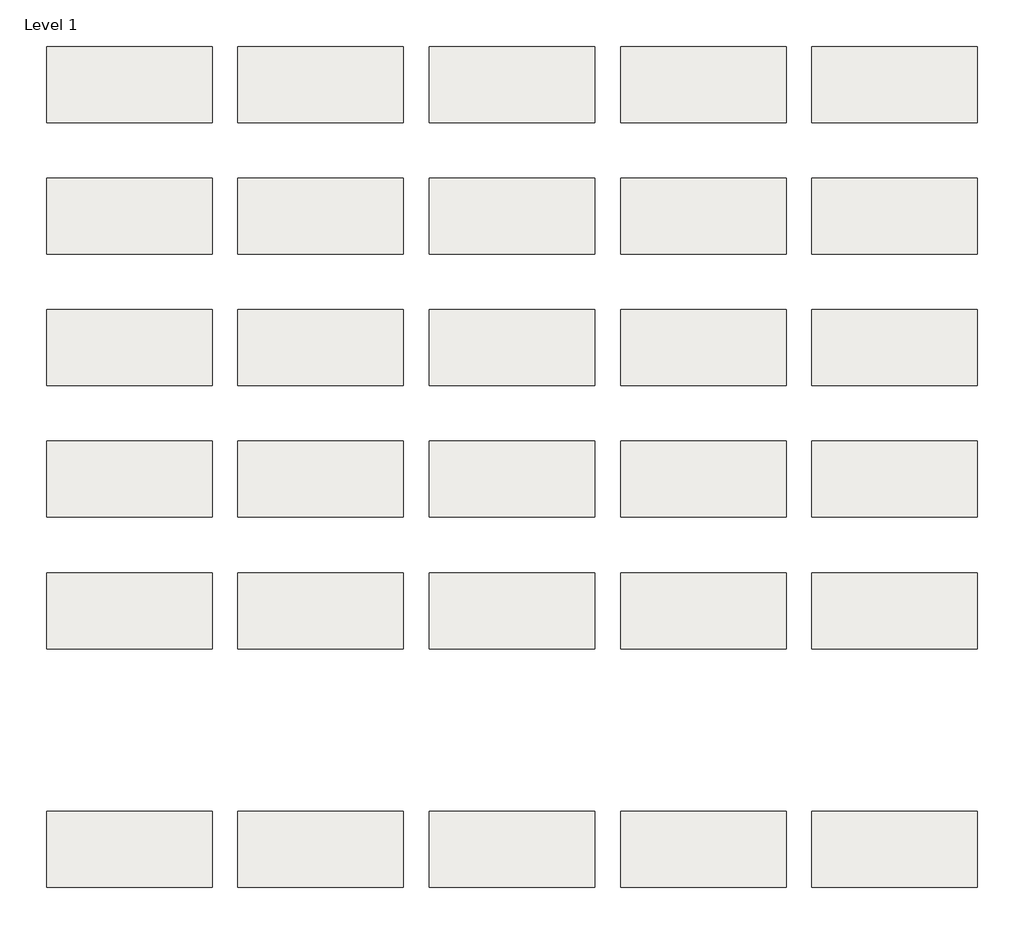
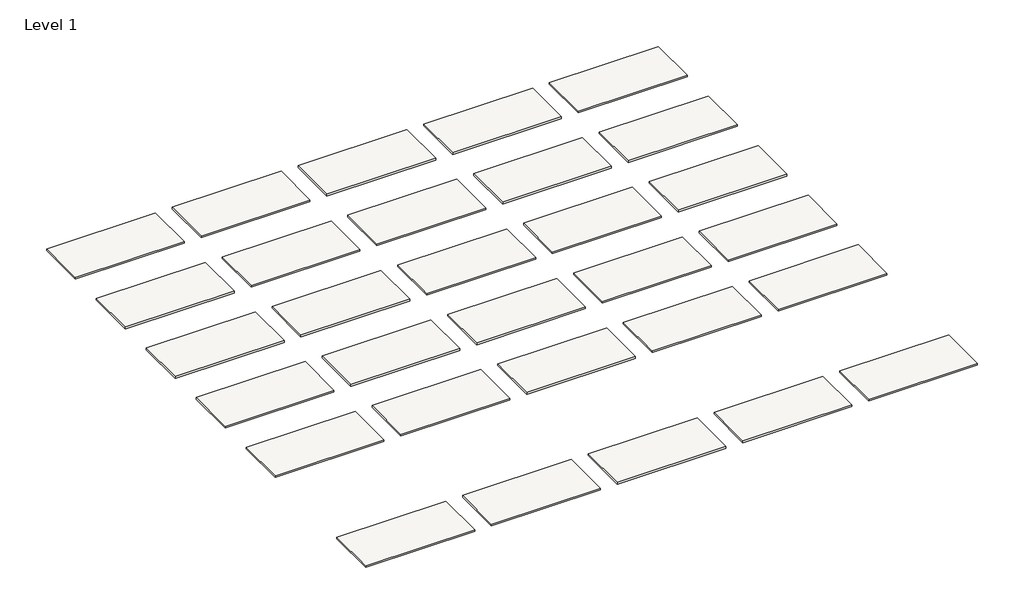
# One storey: 30 roofs.
"""IFC4 building model written with IfcOpenShell, lengths in millimetres."""

import ifcopenshell
import ifcopenshell.guid

model = None  # the IFC model being written
_history = None  # IfcOwnerHistory: only IFC2X3 demands one
_inside = {}  # id of a spatial element -> (the spatial element, [elements in it])
_under = {}  # id of a project, library or spatial element -> (it, [spatial elements below it])
_declared = {}  # id of a project -> (the project, [libraries it declares])
_typed = {}  # id of a type object -> (the type object, [elements of that type])
_made_of = {}  # id of a material, layer set ... -> (it, [elements and type objects made of it])


def new_model(schema):
    """Start an empty IFC model of exactly this schema.

    Asked for "IFC4X3", IfcOpenShell would pick the latest addendum, in which some entities
    have other attributes; the version numbers below select the first issue.
    IFC2X3 requires an IfcOwnerHistory on every rooted entity: one is made here for all.
    """
    global model, _history
    if schema == "IFC4X3":
        model = ifcopenshell.file(schema_version=(4, 3, 0, 0))
    else:
        model = ifcopenshell.file(schema=schema)
    _inside.clear()
    _under.clear()
    _declared.clear()
    _typed.clear()
    _made_of.clear()
    _history = None
    if model.schema == "IFC2X3":
        org = make("IfcOrganization", Name="unknown")
        user = make(
            "IfcPersonAndOrganization",
            ThePerson=make("IfcPerson", FamilyName="unknown"),
            TheOrganization=org,
        )
        app = make(
            "IfcApplication",
            ApplicationDeveloper=org,
            Version="unknown",
            ApplicationFullName="unknown",
            ApplicationIdentifier="unknown",
        )
        _history = make(
            "IfcOwnerHistory",
            OwningUser=user,
            OwningApplication=app,
            ChangeAction="ADDED",
            CreationDate=0,
        )
    return model


def make(cls, **values):
    """One entity of the class cls with the attributes given. An attribute that is None is left unset."""
    return model.create_entity(
        cls, **{name: value for name, value in values.items() if value is not None}
    )


def rooted(cls, **values):
    """An entity with a GlobalId (a new one), such as an element, a storey or a relation."""
    return make(cls, GlobalId=ifcopenshell.guid.new(), OwnerHistory=_history, **values)


def si_unit(unit_type, name, prefix=None):
    """IfcSIUnit, for example si_unit("LENGTHUNIT", "METRE", prefix="MILLI")."""
    return make("IfcSIUnit", UnitType=unit_type, Prefix=prefix, Name=name)


def assignment(units):
    """IfcUnitAssignment: the units of a project."""
    return None if units is None else make("IfcUnitAssignment", Units=units)


def point(xyz):
    """IfcCartesianPoint."""
    return None if xyz is None else make("IfcCartesianPoint", Coordinates=xyz)


def direction(xyz):
    """IfcDirection."""
    return None if xyz is None else make("IfcDirection", DirectionRatios=xyz)


def frame(location, z_axis=None, x_axis=None):
    """IfcAxis2Placement3D, a coordinate frame: its origin and axes. An axis left out is left unset."""
    return make(
        "IfcAxis2Placement3D",
        Location=point(location),
        Axis=direction(z_axis),
        RefDirection=direction(x_axis),
    )


def origin():
    """The frame at (0, 0, 0) with its axes left unset."""
    return frame((0.0, 0.0, 0.0))


def origin_with_axes():
    """The frame at (0, 0, 0) with the z axis (0, 0, 1) and the x axis (1, 0, 0) written out."""
    return frame((0.0, 0.0, 0.0), z_axis=(0.0, 0.0, 1.0), x_axis=(1.0, 0.0, 0.0))


def place(relative_to, where):
    """IfcLocalPlacement: puts the frame where relative to a parent placement (None: the world)."""
    return make(
        "IfcLocalPlacement", PlacementRelTo=relative_to, RelativePlacement=where
    )


def context(
    kind, dimensions, precision=None, world=None, true_north=None, identifier=None
):
    """IfcGeometricRepresentationContext, for example the 3D "Model" context."""
    return make(
        "IfcGeometricRepresentationContext",
        ContextIdentifier=identifier,
        ContextType=kind,
        CoordinateSpaceDimension=dimensions,
        Precision=precision,
        WorldCoordinateSystem=world,
        TrueNorth=true_north,
    )


def project(units=None, contexts=None):
    """IfcProject with its units and contexts."""
    return rooted(
        "IfcProject",
        Name="project",
        RepresentationContexts=contexts,
        UnitsInContext=assignment(units),
    )


def spatial(cls, under=None, at=None, **own):
    """A site, building, storey or space (cls), placed at a placement, below another one or the project."""
    s = rooted(cls, ObjectPlacement=at, **own)
    if under is not None:
        _under.setdefault(under.id(), (under, []))[1].append(s)
    return s


def polyline(points):
    """IfcPolyline through the points."""
    return make("IfcPolyline", Points=[point(p) for p in points])


def outline(outer, holes=None, kind="AREA"):
    """IfcArbitraryClosedProfileDef: a profile drawn as a closed curve; with holes, ...WithVoids."""
    if holes is None:
        return make("IfcArbitraryClosedProfileDef", ProfileType=kind, OuterCurve=outer)
    return make(
        "IfcArbitraryProfileDefWithVoids",
        ProfileType=kind,
        OuterCurve=outer,
        InnerCurves=holes,
    )


def extrude(swept, where, along, depth):
    """IfcExtrudedAreaSolid: the profile swept, set in the frame where, extruded along a direction by depth."""
    return make(
        "IfcExtrudedAreaSolid",
        SweptArea=swept,
        Position=where,
        ExtrudedDirection=direction(along),
        Depth=depth,
    )


def shape(context_of_items, identifier, shape_type, items):
    """IfcShapeRepresentation: the items that make up one representation, for example the "Body"."""
    return make(
        "IfcShapeRepresentation",
        ContextOfItems=context_of_items,
        RepresentationIdentifier=identifier,
        RepresentationType=shape_type,
        Items=items,
    )


def made_of(thing, what):
    """Note that an element or type object is made of a material, layer set ...; save() writes the relation."""
    if what is not None:
        _made_of.setdefault(what.id(), (what, []))[1].append(thing)
    return thing


def element(
    cls,
    number,
    at=None,
    inside=None,
    cuts=None,
    type_object=None,
    material=None,
    context=None,
    identifier="Body",
    shape_type=None,
    held_by="IfcProductDefinitionShape",
    body=None,
    shapes=None,
    **own,
):
    """One element of the class cls, such as IfcWall. Its Tag is "e" and its number.

    at: its placement. inside: the storey or other place that contains it. cuts: it is an
    opening in that element (IfcRelVoidsElement). A single representation is given by context,
    identifier, shape_type and body (its items); several are given by shapes. held_by: the class
    of the entity that holds the representations. save() writes the other relations.
    """
    e = rooted(cls, Tag="e%d" % number, ObjectPlacement=at, **own)
    if body is not None:
        shapes = [shape(context, identifier, shape_type, body)]
    if shapes is not None:
        e.Representation = make(held_by, Representations=shapes)
    if inside is not None:
        _inside.setdefault(inside.id(), (inside, []))[1].append(e)
    if cuts is not None:
        rooted(
            "IfcRelVoidsElement", RelatingBuildingElement=cuts, RelatedOpeningElement=e
        )
    if type_object is not None:
        _typed.setdefault(type_object.id(), (type_object, []))[1].append(e)
    return made_of(e, material)


def aggregate(whole, parts):
    """IfcRelAggregates: a whole, such as a stair, and the parts it consists of."""
    return rooted("IfcRelAggregates", RelatingObject=whole, RelatedObjects=parts)


def save(model, path):
    """Write the relations noted so far, then the file.

    IfcRelAggregates (storeys below a building ...), IfcRelContainedInSpatialStructure (elements
    in a storey), IfcRelDefinesByType, IfcRelAssociatesMaterial and IfcRelDeclares: one each for
    every whole, place, type object, material and project.
    """
    for whole, parts in _under.values():
        aggregate(whole, parts)
    for where, things in _inside.values():
        rooted(
            "IfcRelContainedInSpatialStructure",
            RelatedElements=things,
            RelatingStructure=where,
        )
    for kind, things in _typed.values():
        rooted("IfcRelDefinesByType", RelatedObjects=things, RelatingType=kind)
    for what, things in _made_of.values():
        rooted("IfcRelAssociatesMaterial", RelatedObjects=things, RelatingMaterial=what)
    for by, libraries in _declared.values():
        rooted("IfcRelDeclares", RelatingContext=by, RelatedDefinitions=libraries)
    model.write(path)


model = new_model("IFC4")

# Units and contexts
model_context = context("Model", 3, world=origin())
ifc_project = project(units=[si_unit("LENGTHUNIT", "METRE", prefix="MILLI")], contexts=[model_context])

# Site, building, storey
site = spatial("IfcSite", under=ifc_project)
building = spatial("IfcBuilding", under=site)
storey = spatial("IfcBuildingStorey", under=building, Name="Level 1", Elevation=0.0)

# Roofs
placement = place(None, origin())
element("IfcRoof", 1, at=placement, inside=storey, context=model_context, shape_type="SweptSolid", body=[
    extrude(outline(polyline([(-9725.8471173, -1370.5264682), (-6627.0471173, -1370.5264682), (-6627.0471173, -2792.9264682), (-9725.8471173, -2792.9264682), (-9725.8471173, -1370.5264682)])), origin_with_axes(), (0.0, 0.0, 1.0), 50.8),
])
element("IfcRoof", 2, at=placement, inside=storey, context=model_context, shape_type="SweptSolid", body=[
    extrude(outline(polyline([(-6144.4471173, -1370.5264682), (-3045.6471173, -1370.5264682), (-3045.6471173, -2792.9264682), (-6144.4471173, -2792.9264682), (-6144.4471173, -1370.5264682)])), origin_with_axes(), (0.0, 0.0, 1.0), 50.8),
])
element("IfcRoof", 3, at=placement, inside=storey, context=model_context, shape_type="SweptSolid", body=[
    extrude(outline(polyline([(-2563.0471173, -1370.5264682), (535.7528827, -1370.5264682), (535.7528827, -2792.9264682), (-2563.0471173, -2792.9264682), (-2563.0471173, -1370.5264682)])), origin_with_axes(), (0.0, 0.0, 1.0), 50.8),
])
element("IfcRoof", 4, at=placement, inside=storey, context=model_context, shape_type="SweptSolid", body=[
    extrude(outline(polyline([(1018.3528827, -1370.5264682), (4117.1528827, -1370.5264682), (4117.1528827, -2792.9264682), (1018.3528827, -2792.9264682), (1018.3528827, -1370.5264682)])), origin_with_axes(), (0.0, 0.0, 1.0), 50.8),
])
element("IfcRoof", 5, at=placement, inside=storey, context=model_context, shape_type="SweptSolid", body=[
    extrude(outline(polyline([(4599.7528827, -1370.5264682), (7698.5528827, -1370.5264682), (7698.5528827, -2792.9264682), (4599.7528827, -2792.9264682), (4599.7528827, -1370.5264682)])), origin_with_axes(), (0.0, 0.0, 1.0), 50.8),
])
element("IfcRoof", 6, at=placement, inside=storey, context=model_context, shape_type="SweptSolid", body=[
    extrude(outline(polyline([(-9725.8471173, 1093.2735318), (-6627.0471173, 1093.2735318), (-6627.0471173, -329.1264682), (-9725.8471173, -329.1264682), (-9725.8471173, 1093.2735318)])), origin_with_axes(), (0.0, 0.0, 1.0), 50.8),
])
element("IfcRoof", 7, at=placement, inside=storey, context=model_context, shape_type="SweptSolid", body=[
    extrude(outline(polyline([(-6144.4471173, 1093.2735318), (-3045.6471173, 1093.2735318), (-3045.6471173, -329.1264682), (-6144.4471173, -329.1264682), (-6144.4471173, 1093.2735318)])), origin_with_axes(), (0.0, 0.0, 1.0), 50.8),
])
element("IfcRoof", 8, at=placement, inside=storey, context=model_context, shape_type="SweptSolid", body=[
    extrude(outline(polyline([(-2563.0471173, 1093.2735318), (535.7528827, 1093.2735318), (535.7528827, -329.1264682), (-2563.0471173, -329.1264682), (-2563.0471173, 1093.2735318)])), origin_with_axes(), (0.0, 0.0, 1.0), 50.8),
])
element("IfcRoof", 9, at=placement, inside=storey, context=model_context, shape_type="SweptSolid", body=[
    extrude(outline(polyline([(1018.3528827, 1093.2735318), (4117.1528827, 1093.2735318), (4117.1528827, -329.1264682), (1018.3528827, -329.1264682), (1018.3528827, 1093.2735318)])), origin_with_axes(), (0.0, 0.0, 1.0), 50.8),
])
element("IfcRoof", 10, at=placement, inside=storey, context=model_context, shape_type="SweptSolid", body=[
    extrude(outline(polyline([(4599.7528827, 1093.2735318), (7698.5528827, 1093.2735318), (7698.5528827, -329.1264682), (4599.7528827, -329.1264682), (4599.7528827, 1093.2735318)])), origin_with_axes(), (0.0, 0.0, 1.0), 50.8),
])
element("IfcRoof", 11, at=placement, inside=storey, context=model_context, shape_type="SweptSolid", body=[
    extrude(outline(polyline([(-9725.8471173, 3557.0735318), (-6627.0471173, 3557.0735318), (-6627.0471173, 2134.6735318), (-9725.8471173, 2134.6735318), (-9725.8471173, 3557.0735318)])), origin_with_axes(), (0.0, 0.0, 1.0), 50.8),
])
element("IfcRoof", 12, at=placement, inside=storey, context=model_context, shape_type="SweptSolid", body=[
    extrude(outline(polyline([(-6144.4471173, 3557.0735318), (-3045.6471173, 3557.0735318), (-3045.6471173, 2134.6735318), (-6144.4471173, 2134.6735318), (-6144.4471173, 3557.0735318)])), origin_with_axes(), (0.0, 0.0, 1.0), 50.8),
])
element("IfcRoof", 13, at=placement, inside=storey, context=model_context, shape_type="SweptSolid", body=[
    extrude(outline(polyline([(-2563.0471173, 3557.0735318), (535.7528827, 3557.0735318), (535.7528827, 2134.6735318), (-2563.0471173, 2134.6735318), (-2563.0471173, 3557.0735318)])), origin_with_axes(), (0.0, 0.0, 1.0), 50.8),
])
element("IfcRoof", 14, at=placement, inside=storey, context=model_context, shape_type="SweptSolid", body=[
    extrude(outline(polyline([(1018.3528827, 3557.0735318), (4117.1528827, 3557.0735318), (4117.1528827, 2134.6735318), (1018.3528827, 2134.6735318), (1018.3528827, 3557.0735318)])), origin_with_axes(), (0.0, 0.0, 1.0), 50.8),
])
element("IfcRoof", 15, at=placement, inside=storey, context=model_context, shape_type="SweptSolid", body=[
    extrude(outline(polyline([(4599.7528827, 3557.0735318), (7698.5528827, 3557.0735318), (7698.5528827, 2134.6735318), (4599.7528827, 2134.6735318), (4599.7528827, 3557.0735318)])), origin_with_axes(), (0.0, 0.0, 1.0), 50.8),
])
element("IfcRoof", 16, at=placement, inside=storey, context=model_context, shape_type="SweptSolid", body=[
    extrude(outline(polyline([(-9725.8471173, 6020.8735318), (-6627.0471173, 6020.8735318), (-6627.0471173, 4598.4735318), (-9725.8471173, 4598.4735318), (-9725.8471173, 6020.8735318)])), origin_with_axes(), (0.0, 0.0, 1.0), 50.8),
])
element("IfcRoof", 17, at=placement, inside=storey, context=model_context, shape_type="SweptSolid", body=[
    extrude(outline(polyline([(-6144.4471173, 6020.8735318), (-3045.6471173, 6020.8735318), (-3045.6471173, 4598.4735318), (-6144.4471173, 4598.4735318), (-6144.4471173, 6020.8735318)])), origin_with_axes(), (0.0, 0.0, 1.0), 50.8),
])
element("IfcRoof", 18, at=placement, inside=storey, context=model_context, shape_type="SweptSolid", body=[
    extrude(outline(polyline([(-2563.0471173, 6020.8735318), (535.7528827, 6020.8735318), (535.7528827, 4598.4735318), (-2563.0471173, 4598.4735318), (-2563.0471173, 6020.8735318)])), origin_with_axes(), (0.0, 0.0, 1.0), 50.8),
])
element("IfcRoof", 19, at=placement, inside=storey, context=model_context, shape_type="SweptSolid", body=[
    extrude(outline(polyline([(1018.3528827, 6020.8735318), (4117.1528827, 6020.8735318), (4117.1528827, 4598.4735318), (1018.3528827, 4598.4735318), (1018.3528827, 6020.8735318)])), origin_with_axes(), (0.0, 0.0, 1.0), 50.8),
])
element("IfcRoof", 20, at=placement, inside=storey, context=model_context, shape_type="SweptSolid", body=[
    extrude(outline(polyline([(4599.7528827, 6020.8735318), (7698.5528827, 6020.8735318), (7698.5528827, 4598.4735318), (4599.7528827, 4598.4735318), (4599.7528827, 6020.8735318)])), origin_with_axes(), (0.0, 0.0, 1.0), 50.8),
])
element("IfcRoof", 21, at=placement, inside=storey, context=model_context, shape_type="SweptSolid", body=[
    extrude(outline(polyline([(-9725.8471173, 8484.6735318), (-6627.0471173, 8484.6735318), (-6627.0471173, 7062.2735318), (-9725.8471173, 7062.2735318), (-9725.8471173, 8484.6735318)])), origin_with_axes(), (0.0, 0.0, 1.0), 50.8),
])
element("IfcRoof", 22, at=placement, inside=storey, context=model_context, shape_type="SweptSolid", body=[
    extrude(outline(polyline([(-6144.4471173, 8484.6735318), (-3045.6471173, 8484.6735318), (-3045.6471173, 7062.2735318), (-6144.4471173, 7062.2735318), (-6144.4471173, 8484.6735318)])), origin_with_axes(), (0.0, 0.0, 1.0), 50.8),
])
element("IfcRoof", 23, at=placement, inside=storey, context=model_context, shape_type="SweptSolid", body=[
    extrude(outline(polyline([(-2563.0471173, 8484.6735318), (535.7528827, 8484.6735318), (535.7528827, 7062.2735318), (-2563.0471173, 7062.2735318), (-2563.0471173, 8484.6735318)])), origin_with_axes(), (0.0, 0.0, 1.0), 50.8),
])
element("IfcRoof", 24, at=placement, inside=storey, context=model_context, shape_type="SweptSolid", body=[
    extrude(outline(polyline([(1018.3528827, 8484.6735318), (4117.1528827, 8484.6735318), (4117.1528827, 7062.2735318), (1018.3528827, 7062.2735318), (1018.3528827, 8484.6735318)])), origin_with_axes(), (0.0, 0.0, 1.0), 50.8),
])
element("IfcRoof", 25, at=placement, inside=storey, context=model_context, shape_type="SweptSolid", body=[
    extrude(outline(polyline([(4599.7528827, 8484.6735318), (7698.5528827, 8484.6735318), (7698.5528827, 7062.2735318), (4599.7528827, 7062.2735318), (4599.7528827, 8484.6735318)])), origin_with_axes(), (0.0, 0.0, 1.0), 50.8),
])
element("IfcRoof", 26, at=placement, inside=storey, context=model_context, shape_type="SweptSolid", body=[
    extrude(outline(polyline([(-9725.8471173, -5840.9264682), (-6627.0471173, -5840.9264682), (-6627.0471173, -7263.3264682), (-9725.8471173, -7263.3264682), (-9725.8471173, -5840.9264682)])), origin_with_axes(), (0.0, 0.0, 1.0), 50.8),
])
element("IfcRoof", 27, at=placement, inside=storey, context=model_context, shape_type="SweptSolid", body=[
    extrude(outline(polyline([(-6144.4471173, -5840.9264682), (-3045.6471173, -5840.9264682), (-3045.6471173, -7263.3264682), (-6144.4471173, -7263.3264682), (-6144.4471173, -5840.9264682)])), origin_with_axes(), (0.0, 0.0, 1.0), 50.8),
])
element("IfcRoof", 28, at=placement, inside=storey, context=model_context, shape_type="SweptSolid", body=[
    extrude(outline(polyline([(-2563.0471173, -5840.9264682), (535.7528827, -5840.9264682), (535.7528827, -7263.3264682), (-2563.0471173, -7263.3264682), (-2563.0471173, -5840.9264682)])), origin_with_axes(), (0.0, 0.0, 1.0), 50.8),
])
element("IfcRoof", 29, at=placement, inside=storey, context=model_context, shape_type="SweptSolid", body=[
    extrude(outline(polyline([(1018.3528827, -5840.9264682), (4117.1528827, -5840.9264682), (4117.1528827, -7263.3264682), (1018.3528827, -7263.3264682), (1018.3528827, -5840.9264682)])), origin_with_axes(), (0.0, 0.0, 1.0), 50.8),
])
element("IfcRoof", 30, at=placement, inside=storey, context=model_context, shape_type="SweptSolid", body=[
    extrude(outline(polyline([(4599.7528827, -5840.9264682), (7698.5528827, -5840.9264682), (7698.5528827, -7263.3264682), (4599.7528827, -7263.3264682), (4599.7528827, -5840.9264682)])), origin_with_axes(), (0.0, 0.0, 1.0), 50.8),
])

save(model, "model.ifc")
